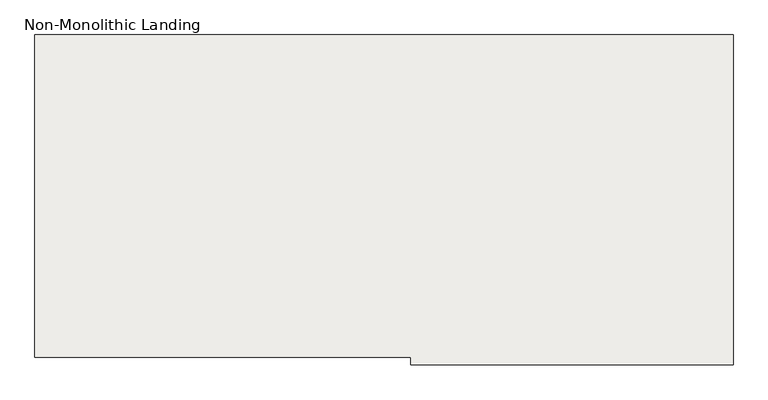
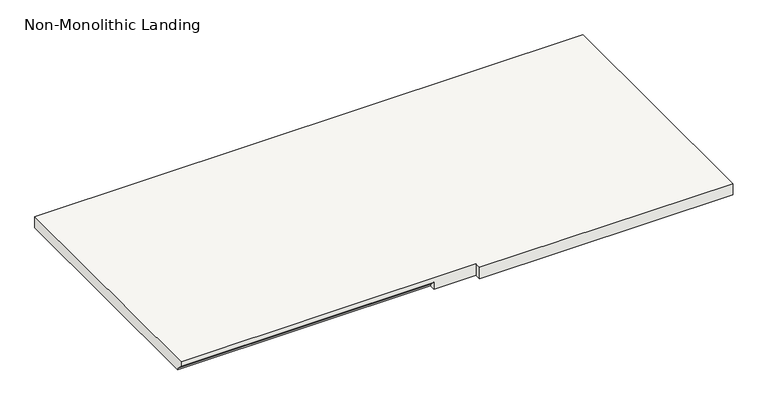
"""IFC4 building model written with IfcOpenShell, lengths in millimetres: slab geometry, Non-Monolithic Landing."""

from ifc_helpers import new_model, si_unit, origin, place, context, project, spatial, faceted_brep, source, transform, mapped, element, save


def non_monolithic_landing_b09640a7(model_context):
    return source(origin(), model_context, "Body", "Brep", [
        faceted_brep([(25079.7688569, -12045.1796278, 1416.05), (25079.7688569, -12019.7796278, 1390.65), (26146.5688569, -12019.7796278, 1390.65), (26146.5688569, -12045.1796278, 1416.05), (26324.3688569, -12045.1796278, 1435.1), (26324.3688569, -12070.5796278, 1435.1), (27391.1688569, -12070.5796278, 1435.1), (27391.1688569, -12045.1796278, 1435.1), (27391.1688569, -10978.3796278, 1435.1), (25079.7688569, -10978.3796278, 1435.1), (25079.7688569, -12045.1796278, 1435.1), (26146.5688569, -12019.7796278, 1384.3), (25079.7688569, -12019.7796278, 1384.3), (25079.7688569, -10978.3796278, 1384.3), (27391.1688569, -10978.3796278, 1384.3), (27391.1688569, -12045.1796278, 1384.3), (27391.1688569, -12070.5796278, 1384.3), (26324.3688569, -12070.5796278, 1384.3), (26324.3688569, -12045.1796278, 1384.3), (26146.5688569, -12045.1796278, 1384.3)], [[[0, 1, 2, 3]], [[4, 5, 6, 7, 8, 9, 10]], [[11, 12, 13, 14, 15, 16, 17, 18, 19]], [[12, 11, 2, 1]], [[11, 19, 3, 2]], [[4, 10, 0, 3, 19, 18]], [[5, 4, 18, 17]], [[6, 5, 17, 16]], [[7, 6, 16, 15]], [[8, 7, 15, 14]], [[9, 8, 14, 13]], [[10, 9, 13, 12, 1, 0]]]),
    ])


if __name__ == "__main__":
    model = new_model("IFC4")
    model_context = context("Model", 3, world=origin())
    ifc_project = project(units=[si_unit("LENGTHUNIT", "METRE", prefix="MILLI")], contexts=[model_context])
    site = spatial("IfcSite", under=ifc_project)
    building = spatial("IfcBuilding", under=site)
    placement = place(None, origin())
    non_monolithic_landing_shape = non_monolithic_landing_b09640a7(model_context)
    element("IfcSlab", 1, ObjectType="Non-Monolithic Landing", at=placement, inside=building, context=model_context, shape_type="MappedRepresentation", body=[
        mapped(non_monolithic_landing_shape, transform((0.0, 0.0, 0.0), x_axis=(1.0, 0.0, 0.0), y_axis=(0.0, 1.0, 0.0), z_axis=(0.0, 0.0, 1.0))),
    ])
    save(model, "model.ifc")
